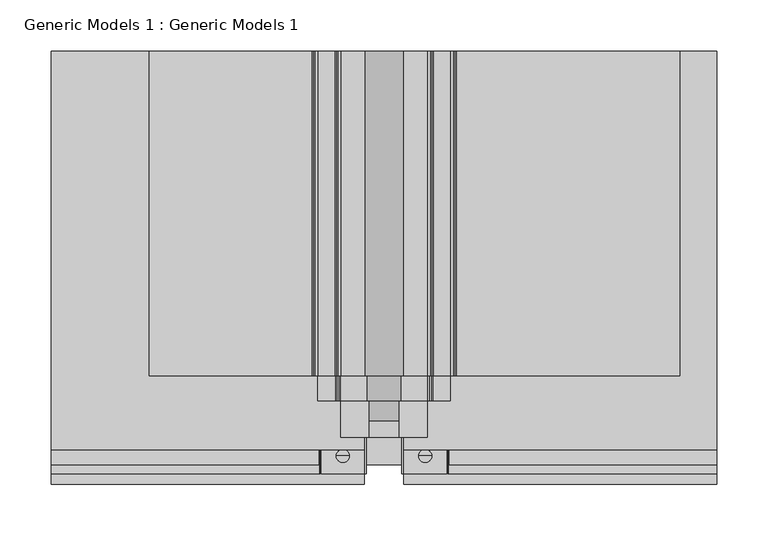
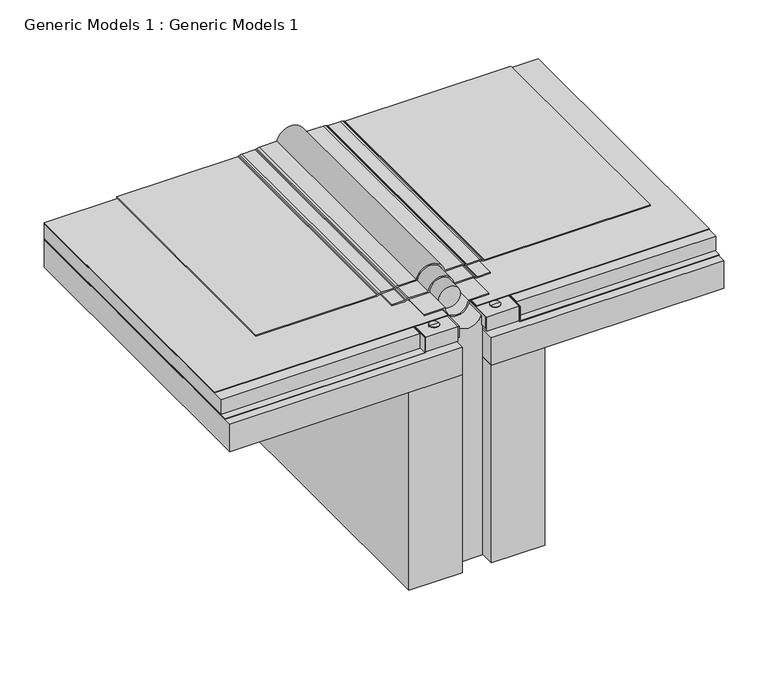
"""IFC4 building model written with IfcOpenShell, lengths in millimetres: proxy geometry, Generic Models 1 : Generic Models 1."""

from ifc_helpers import new_model, si_unit, point, frame, frame_2d, origin, place, context, project, spatial, polyline, circle_curve, trimmed, segment, composite_curve, outline, extrude, source, transform, mapped, element, save
from ifc_brep_helpers import plane_surface, cylinder_surface, advanced_brep


def generic_models_1_generic_models_1_81538ca8(model_context):
    return source(origin(), model_context, "Body", "SolidModel", [
        advanced_brep(
        [(103.584375, 0.0, 329.1475731), (104.8175439, 0.0, 329.1475731), (102.3512061, 0.0, 329.1475731), (104.8175439, 0.0, 363.4527736), (102.3512061, 0.0, 363.4527736), (109.934375, 0.0, 363.4527736), (97.234375, 0.0, 363.4527736), (109.934375, 0.0, 366.5974976), (97.234375, 0.0, 366.5974976), (103.584375, 0.0, 366.5974976)],
        [
            (0, 1),
            (1, 2, circle_curve(frame((103.584375, 0.0, 329.1475731), z_axis=(0.0, 0.0, -1.0), x_axis=(1.0, 0.0, 0.0)), 1.2331689)),
            (2, 0),
            (2, 1, circle_curve(frame((103.584375, 0.0, 329.1475731), z_axis=(0.0, 0.0, -1.0), x_axis=(1.0, 0.0, 0.0)), 1.2331689)),
            (1, 3),
            (3, 4, circle_curve(frame((103.584375, 0.0, 363.4527736), z_axis=(0.0, 0.0, -1.0), x_axis=(1.0, 0.0, 0.0)), 1.2331689)),
            (4, 2),
            (4, 3, circle_curve(frame((103.584375, 0.0, 363.4527736), z_axis=(0.0, 0.0, -1.0), x_axis=(1.0, 0.0, 0.0)), 1.2331689)),
            (3, 5),
            (5, 6, circle_curve(frame((103.584375, 0.0, 363.4527736), z_axis=(0.0, 0.0, -1.0), x_axis=(1.0, 0.0, 0.0)), 6.35)),
            (6, 4),
            (6, 5, circle_curve(frame((103.584375, 0.0, 363.4527736), z_axis=(0.0, 0.0, -1.0), x_axis=(1.0, 0.0, 0.0)), 6.35)),
            (5, 7),
            (7, 8, circle_curve(frame((103.584375, 0.0, 366.5974976), z_axis=(0.0, 0.0, -1.0), x_axis=(1.0, 0.0, 0.0)), 6.35)),
            (8, 6),
            (8, 7, circle_curve(frame((103.584375, 0.0, 366.5974976), z_axis=(0.0, 0.0, -1.0), x_axis=(1.0, 0.0, 0.0)), 6.35)),
            (7, 9),
            (9, 8),
        ],
        [
            plane_surface(frame((103.584375, 0.0, 329.1475731), z_axis=(0.0, 0.0, -1.0), x_axis=(1.0, 0.0, 0.0))),
            cylinder_surface(frame((103.584375, 0.0, 366.5974976), z_axis=(0.0, 0.0, -1.0), x_axis=(1.0, 0.0, 0.0)), 1.2331689),
            plane_surface(frame((103.584375, 0.0, 363.4527736), z_axis=(0.0, 0.0, -1.0), x_axis=(1.0, 0.0, 0.0))),
            cylinder_surface(frame((103.584375, 0.0, 366.5974976), z_axis=(0.0, 0.0, -1.0), x_axis=(1.0, 0.0, 0.0)), 6.35),
            plane_surface(frame((103.584375, 0.0, 366.5974976), z_axis=(0.0, 0.0, 1.0), x_axis=(1.0, 0.0, 0.0))),
        ],
        [
            (0, [[1, 2, 3]]),
            (0, [[-3, 4, -1]]),
            (1, [[-2, 5, 6, 7]]),
            (1, [[-4, -7, 8, -5]]),
            (2, [[-6, 9, 10, 11]]),
            (2, [[-8, -11, 12, -9]]),
            (3, [[-10, 13, 14, 15]]),
            (3, [[-12, -15, 16, -13]]),
            (4, [[-14, 17, 18]]),
            (4, [[-16, -18, -17]]),
        ],
    ),
        extrude(outline(polyline([(82.55, 393.8469389), (124.61875, 393.8469389), (124.61875, -17.4108394), (82.55, -17.4108394), (82.55, 393.8469389)])), frame((0.0, 0.0, 346.4560914), z_axis=(0.0, 0.0, 1.0), x_axis=(1.0, 0.0, 0.0)), (0.0, 0.0, 1.0), 19.84375),
        extrude(outline(polyline([(344.8685914, 387.35), (345.6623414, 387.35), (345.6623414, 126.20625), (366.2998414, 126.20625), (366.2998414, 125.4125), (344.8685914, 125.4125), (344.8685914, 387.35)])), frame((0.0, -17.4108394, 0.0), z_axis=(0.0, 1.0, 0.0), x_axis=(0.0, 0.0, 1.0)), (0.0, 0.0, 1.0), 411.2577783),
        extrude(outline(polyline([(127.0, 393.8469389), (387.35, 393.8469389), (387.35, -8.424879), (127.0, -8.424879), (127.0, 393.8469389)])), frame((0.0, 0.0, 346.4560914), z_axis=(0.0, 0.0, 1.0), x_axis=(1.0, 0.0, 0.0)), (0.0, 0.0, 1.0), 19.84375),
        advanced_brep(
        [(24.6487939, 0.0, 329.1475731), (22.1824561, 0.0, 329.1475731), (23.415625, 0.0, 329.1475731), (24.6487939, 0.0, 363.4527736), (22.1824561, 0.0, 363.4527736), (29.765625, 0.0, 363.4527736), (17.065625, 0.0, 363.4527736), (29.765625, 0.0, 366.5974976), (17.065625, 0.0, 366.5974976), (23.415625, 0.0, 366.5974976)],
        [
            (0, 1, circle_curve(frame((23.415625, 0.0, 329.1475731), z_axis=(0.0, 0.0, -1.0), x_axis=(-1.0, 0.0, 0.0)), 1.2331689)),
            (1, 2),
            (2, 0),
            (1, 0, circle_curve(frame((23.415625, 0.0, 329.1475731), z_axis=(0.0, 0.0, -1.0), x_axis=(-1.0, 0.0, 0.0)), 1.2331689)),
            (3, 4, circle_curve(frame((23.415625, 0.0, 363.4527736), z_axis=(0.0, 0.0, -1.0), x_axis=(-1.0, 0.0, 0.0)), 1.2331689)),
            (4, 1),
            (0, 3),
            (4, 3, circle_curve(frame((23.415625, 0.0, 363.4527736), z_axis=(0.0, 0.0, -1.0), x_axis=(-1.0, 0.0, 0.0)), 1.2331689)),
            (5, 6, circle_curve(frame((23.415625, 0.0, 363.4527736), z_axis=(0.0, 0.0, -1.0), x_axis=(-1.0, 0.0, 0.0)), 6.35)),
            (6, 4),
            (3, 5),
            (6, 5, circle_curve(frame((23.415625, 0.0, 363.4527736), z_axis=(0.0, 0.0, -1.0), x_axis=(-1.0, 0.0, 0.0)), 6.35)),
            (7, 8, circle_curve(frame((23.415625, 0.0, 366.5974976), z_axis=(0.0, 0.0, -1.0), x_axis=(-1.0, 0.0, 0.0)), 6.35)),
            (8, 6),
            (5, 7),
            (8, 7, circle_curve(frame((23.415625, 0.0, 366.5974976), z_axis=(0.0, 0.0, -1.0), x_axis=(-1.0, 0.0, 0.0)), 6.35)),
            (9, 8),
            (7, 9),
        ],
        [
            plane_surface(frame((23.415625, 0.0, 329.1475731), z_axis=(0.0, 0.0, -1.0), x_axis=(-1.0, 0.0, 0.0))),
            cylinder_surface(frame((23.415625, 0.0, 366.5974976), z_axis=(0.0, 0.0, 1.0), x_axis=(-1.0, 0.0, 0.0)), 1.2331689),
            plane_surface(frame((23.415625, 0.0, 363.4527736), z_axis=(0.0, 0.0, -1.0), x_axis=(-1.0, 0.0, 0.0))),
            cylinder_surface(frame((23.415625, 0.0, 366.5974976), z_axis=(0.0, 0.0, 1.0), x_axis=(-1.0, 0.0, 0.0)), 6.35),
            plane_surface(frame((23.415625, 0.0, 366.5974976), z_axis=(0.0, 0.0, 1.0), x_axis=(-1.0, 0.0, 0.0))),
        ],
        [
            (0, [[1, 2, 3]]),
            (0, [[4, -3, -2]]),
            (1, [[5, 6, -1, 7]]),
            (1, [[8, -7, -4, -6]]),
            (2, [[9, 10, -5, 11]]),
            (2, [[12, -11, -8, -10]]),
            (3, [[13, 14, -9, 15]]),
            (3, [[16, -15, -12, -14]]),
            (4, [[17, -13, 18]]),
            (4, [[-18, -16, -17]]),
        ],
    ),
        extrude(outline(polyline([(2.38125, 393.8469389), (44.45, 393.8469389), (44.45, -17.4108394), (2.38125, -17.4108394), (2.38125, 393.8469389)])), frame((0.0, 0.0, 346.4560914), z_axis=(0.0, 0.0, 1.0), x_axis=(1.0, 0.0, 0.0)), (0.0, 0.0, 1.0), 19.84375),
        extrude(outline(polyline([(344.8685914, -260.35), (344.8685914, 1.5875), (366.2998414, 1.5875), (366.2998414, 0.79375), (345.6623414, 0.79375), (345.6623414, -260.35), (344.8685914, -260.35)])), frame((0.0, -17.4108394, 0.0), z_axis=(0.0, 1.0, 0.0), x_axis=(0.0, 0.0, 1.0)), (0.0, 0.0, 1.0), 411.2577783),
        extrude(outline(polyline([(-260.35, 393.8469389), (44.45, 393.8469389), (44.45, -27.5493627), (-260.35, -27.5493627), (-260.35, 393.8469389)])), frame((0.0, 0.0, 305.9748414), z_axis=(0.0, 0.0, 1.0), x_axis=(1.0, 0.0, 0.0)), (0.0, 0.0, 1.0), 38.1),
        extrude(outline(polyline([(82.55, 393.8469389), (387.35, 393.8469389), (387.35, -27.5493627), (82.55, -27.5493627), (82.55, 393.8469389)])), frame((0.0, 0.0, 305.9748414), z_axis=(0.0, 0.0, 1.0), x_axis=(1.0, 0.0, 0.0)), (0.0, 0.0, 1.0), 38.1),
        extrude(outline(composite_curve([segment(polyline([(371.8823839, 80.7975655), (371.8823839, 105.6586194)]), True, "CONTINUOUS"), segment(trimmed(circle_curve(frame_2d((366.3261339, 105.6586194)), 5.55625), [point((371.8823839, 105.6586194))], [point((371.3618066, 108.0067922))], True, "CARTESIAN"), True, "CONTINUOUS"), segment(polyline([(371.3618066, 108.0067922), (370.7148005, 109.3943011)]), True, "CONTINUOUS"), segment(trimmed(circle_curve(frame_2d((375.0310914, 111.4070206)), 4.7625), [point((370.7148005, 109.3943011))], [point((370.2685914, 111.4070206))], False, "CARTESIAN"), True, "CONTINUOUS"), segment(polyline([(370.2685914, 111.4070206), (370.2685914, 128.0795393)]), True, "CONTINUOUS"), segment(trimmed(circle_curve(frame_2d((364.7123414, 128.0795393)), 5.55625), [point((370.2685914, 128.0795393))], [point((369.748014, 130.427712))], True, "CARTESIAN"), True, "CONTINUOUS"), segment(polyline([(369.748014, 130.427712), (369.101008, 131.815221)]), True, "CONTINUOUS"), segment(trimmed(circle_curve(frame_2d((373.4172988, 133.8279405)), 4.7625), [point((369.101008, 131.815221))], [point((368.6547988, 133.8279405))], False, "CARTESIAN"), True, "CONTINUOUS"), segment(polyline([(368.6547988, 133.8279405), (368.6547988, 351.5567558), (370.2422988, 351.5567558), (370.2422988, 133.8279405)]), True, "CONTINUOUS"), segment(trimmed(circle_curve(frame_2d((373.4172988, 133.8279405)), 3.175), [point((370.2422988, 133.8279405))], [point((370.5397716, 132.4861275))], True, "CARTESIAN"), True, "CONTINUOUS"), segment(polyline([(370.5397716, 132.4861275), (371.1867776, 131.0986185)]), True, "CONTINUOUS"), segment(trimmed(circle_curve(frame_2d((364.7123414, 128.0795393)), 7.14375), [point((371.1867776, 131.0986185))], [point((371.8560914, 128.0795393))], False, "CARTESIAN"), True, "CONTINUOUS"), segment(polyline([(371.8560914, 128.0795393), (371.8560914, 111.4070206)]), True, "CONTINUOUS"), segment(trimmed(circle_curve(frame_2d((375.0310914, 111.4070206)), 3.175), [point((371.8560914, 111.4070206))], [point((372.1535641, 110.0652076))], True, "CARTESIAN"), True, "CONTINUOUS"), segment(polyline([(372.1535641, 110.0652076), (372.8005702, 108.6776987)]), True, "CONTINUOUS"), segment(trimmed(circle_curve(frame_2d((366.3261339, 105.6586194)), 7.14375), [point((372.8005702, 108.6776987))], [point((373.4698839, 105.6586194))], False, "CARTESIAN"), True, "CONTINUOUS"), segment(polyline([(373.4698839, 105.6586194), (373.4698839, 82.1291976)]), True, "CONTINUOUS"), segment(trimmed(circle_curve(frame_2d((369.4879876, 63.5)), 19.05), [point((373.4698839, 82.1291976))], [point((373.4698839, 44.8708024))], False, "CARTESIAN"), True, "CONTINUOUS"), segment(polyline([(373.4698839, 44.8708024), (373.4698839, 21.3413806)]), True, "CONTINUOUS"), segment(trimmed(circle_curve(frame_2d((366.3261339, 21.3413806)), 7.14375), [point((373.4698839, 21.3413806))], [point((372.8005702, 18.3223013))], False, "CARTESIAN"), True, "CONTINUOUS"), segment(polyline([(372.8005702, 18.3223013), (372.1535641, 16.9347924)]), True, "CONTINUOUS"), segment(trimmed(circle_curve(frame_2d((375.0310914, 15.5929794)), 3.175), [point((372.1535641, 16.9347924))], [point((371.8560914, 15.5929794))], True, "CARTESIAN"), True, "CONTINUOUS"), segment(polyline([(371.8560914, 15.5929794), (371.8560914, -1.0795393)]), True, "CONTINUOUS"), segment(trimmed(circle_curve(frame_2d((364.7123414, -1.0795393)), 7.14375), [point((371.8560914, -1.0795393))], [point((371.1867776, -4.0986185))], False, "CARTESIAN"), True, "CONTINUOUS"), segment(polyline([(371.1867776, -4.0986185), (370.5397716, -5.4861275)]), True, "CONTINUOUS"), segment(trimmed(circle_curve(frame_2d((373.4172988, -6.8279405)), 3.175), [point((370.5397716, -5.4861275))], [point((370.2422988, -6.8279405))], True, "CARTESIAN"), True, "CONTINUOUS"), segment(polyline([(370.2422988, -6.8279405), (370.2422988, -165.2260002), (368.6547988, -165.2260002), (368.6547988, -6.8279405)]), True, "CONTINUOUS"), segment(trimmed(circle_curve(frame_2d((373.4172988, -6.8279405)), 4.7625), [point((368.6547988, -6.8279405))], [point((369.101008, -4.815221))], False, "CARTESIAN"), True, "CONTINUOUS"), segment(polyline([(369.101008, -4.815221), (369.748014, -3.427712)]), True, "CONTINUOUS"), segment(trimmed(circle_curve(frame_2d((364.7123414, -1.0795393)), 5.55625), [point((369.748014, -3.427712))], [point((370.2685914, -1.0795393))], True, "CARTESIAN"), True, "CONTINUOUS"), segment(polyline([(370.2685914, -1.0795393), (370.2685914, 15.5929794)]), True, "CONTINUOUS"), segment(trimmed(circle_curve(frame_2d((375.0310914, 15.5929794)), 4.7625), [point((370.2685914, 15.5929794))], [point((370.7148005, 17.6056989))], False, "CARTESIAN"), True, "CONTINUOUS"), segment(polyline([(370.7148005, 17.6056989), (371.3618066, 18.9932078)]), True, "CONTINUOUS"), segment(trimmed(circle_curve(frame_2d((366.3261339, 21.3413806)), 5.55625), [point((371.3618066, 18.9932078))], [point((371.8823839, 21.3413806))], True, "CARTESIAN"), True, "CONTINUOUS"), segment(polyline([(371.8823839, 21.3413806), (371.8823839, 46.2024345)]), True, "CONTINUOUS"), segment(trimmed(circle_curve(frame_2d((369.4879876, 63.5)), 17.4625), [point((371.8823839, 46.2024345))], [point((371.8823839, 80.7975655))], True, "CARTESIAN"), True, "CONTINUOUS")], self_intersect=False)), frame((0.0, 77.8885066, 0.0), z_axis=(0.0, 1.0, 0.0), x_axis=(0.0, 0.0, 1.0)), (0.0, 0.0, 1.0), 315.9584324),
        extrude(outline(composite_curve([segment(polyline([(371.0886339, 105.6586194), (371.0886339, 80.0917196)]), True, "CONTINUOUS"), segment(trimmed(circle_curve(frame_2d((369.4879876, 63.5)), 16.66875), [point((371.0886339, 80.0917196))], [point((371.0886339, 46.9082804))], False, "CARTESIAN"), True, "CONTINUOUS"), segment(polyline([(371.0886339, 46.9082804), (371.0886339, 21.3413806)]), True, "CONTINUOUS"), segment(trimmed(circle_curve(frame_2d((366.3261339, 21.3413806)), 4.7625), [point((371.0886339, 21.3413806))], [point((370.6424248, 19.3286611))], False, "CARTESIAN"), True, "CONTINUOUS"), segment(polyline([(370.6424248, 19.3286611), (369.7723141, 17.4627028)]), True, "CONTINUOUS"), segment(trimmed(circle_curve(frame_2d((372.6498414, 16.1208898)), 3.175), [point((369.7723141, 17.4627028))], [point((369.4748414, 16.1208898))], True, "CARTESIAN"), True, "CONTINUOUS"), segment(polyline([(369.4748414, 16.1208898), (369.4748414, -1.0795393), (367.8873414, -1.0795393), (367.8873414, 16.1208898)]), True, "CONTINUOUS"), segment(trimmed(circle_curve(frame_2d((372.6498414, 16.1208898)), 4.7625), [point((367.8873414, 16.1208898))], [point((368.3335505, 18.1336093))], False, "CARTESIAN"), True, "CONTINUOUS"), segment(polyline([(368.3335505, 18.1336093), (369.2036612, 19.9995676)]), True, "CONTINUOUS"), segment(trimmed(circle_curve(frame_2d((366.3261339, 21.3413806)), 3.175), [point((369.2036612, 19.9995676))], [point((369.5011339, 21.3413806))], True, "CARTESIAN"), True, "CONTINUOUS"), segment(polyline([(369.5011339, 21.3413806), (369.5011339, 48.4187557)]), True, "CONTINUOUS"), segment(trimmed(circle_curve(frame_2d((369.4879876, 63.5)), 15.08125), [point((369.5011339, 48.4187557))], [point((369.5011339, 78.5812443))], True, "CARTESIAN"), True, "CONTINUOUS"), segment(polyline([(369.5011339, 78.5812443), (369.5011339, 105.6586194)]), True, "CONTINUOUS"), segment(trimmed(circle_curve(frame_2d((366.3261339, 105.6586194)), 3.175), [point((369.5011339, 105.6586194))], [point((369.2036612, 107.0004324))], True, "CARTESIAN"), True, "CONTINUOUS"), segment(polyline([(369.2036612, 107.0004324), (368.3335505, 108.8663907)]), True, "CONTINUOUS"), segment(trimmed(circle_curve(frame_2d((372.6498414, 110.8791102)), 4.7625), [point((368.3335505, 108.8663907))], [point((367.8873414, 110.8791102))], False, "CARTESIAN"), True, "CONTINUOUS"), segment(polyline([(367.8873414, 110.8791102), (367.8873414, 128.0795393), (369.4748414, 128.0795393), (369.4748414, 110.8791102)]), True, "CONTINUOUS"), segment(trimmed(circle_curve(frame_2d((372.6498414, 110.8791102)), 3.175), [point((369.4748414, 110.8791102))], [point((369.7723141, 109.5372972))], True, "CARTESIAN"), True, "CONTINUOUS"), segment(polyline([(369.7723141, 109.5372972), (370.6424248, 107.6713389)]), True, "CONTINUOUS"), segment(trimmed(circle_curve(frame_2d((366.3261339, 105.6586194)), 4.7625), [point((370.6424248, 107.6713389))], [point((371.0886339, 105.6586194))], False, "CARTESIAN"), True, "CONTINUOUS")], self_intersect=False)), frame((0.0, 53.568581, 0.0), z_axis=(0.0, 1.0, 0.0), x_axis=(0.0, 0.0, 1.0)), (0.0, 0.0, 1.0), 340.278358),
        extrude(outline(composite_curve([segment(trimmed(circle_curve(frame_2d((369.4879876, 63.5)), 17.4625), [point((364.2830208, 80.16875))], [point((364.2830208, 46.83125))], True, "CARTESIAN"), True, "CONTINUOUS"), segment(polyline([(364.2830208, 46.83125), (350.4181348, 46.83125), (350.4181348, 45.24375), (31.75, 45.24375), (31.75, 81.75625), (350.4181348, 81.75625), (350.4181348, 80.16875), (364.2830208, 80.16875)]), True, "CONTINUOUS")], self_intersect=False)), frame((0.0, -8.424879, 0.0), z_axis=(0.0, 1.0, 0.0), x_axis=(0.0, 0.0, 1.0)), (0.0, 0.0, 1.0), 402.271818),
        extrude(outline(composite_curve([segment(polyline([(367.8873414, 105.56875), (369.4748414, 105.56875), (369.4748414, 78.5812443)]), True, "CONTINUOUS"), segment(trimmed(circle_curve(frame_2d((369.4879876, 63.5)), 15.08125), [point((369.4748414, 78.5812443))], [point((369.4748414, 48.4187557))], True, "CARTESIAN"), True, "CONTINUOUS"), segment(polyline([(369.4748414, 48.4187557), (369.4748414, 21.43125), (367.8873414, 21.43125), (367.8873414, 46.9082804)]), True, "CONTINUOUS"), segment(trimmed(circle_curve(frame_2d((369.4879876, 63.5)), 16.66875), [point((367.8873414, 46.9082804))], [point((367.8873414, 80.0917196))], False, "CARTESIAN"), True, "CONTINUOUS"), segment(polyline([(367.8873414, 80.0917196), (367.8873414, 105.56875)]), True, "CONTINUOUS")], self_intersect=False)), frame((0.0, 18.3920053, 0.0), z_axis=(0.0, 1.0, 0.0), x_axis=(0.0, 0.0, 1.0)), (0.0, 0.0, 1.0), 375.4549336),
        extrude(outline(composite_curve([segment(trimmed(circle_curve(frame_2d((369.4879876, 63.5)), 14.2875), [point((369.4879876, 49.2125))], [point((369.4879876, 77.7875))], False, "CARTESIAN"), True, "CONTINUOUS"), segment(trimmed(circle_curve(frame_2d((369.4879876, 63.5)), 14.2875), [point((369.4879876, 77.7875))], [point((369.4879876, 49.2125))], False, "CARTESIAN"), True, "CONTINUOUS")], self_intersect=False)), frame((0.0, 34.3915988, 0.0), z_axis=(0.0, 1.0, 0.0), x_axis=(0.0, 0.0, 1.0)), (0.0, 0.0, 1.0), 359.4553402),
        extrude(outline(polyline([(44.45, 393.8469389), (46.0375, 393.8469389), (46.0375, -17.4108394), (44.45, -17.4108394), (44.45, 393.8469389)])), frame((0.0, 0.0, 351.2118848), z_axis=(0.0, 0.0, 1.0), x_axis=(1.0, 0.0, 0.0)), (0.0, 0.0, 1.0), 15.0879565),
        extrude(outline(polyline([(80.9625, 393.8469389), (82.55, 393.8469389), (82.55, -17.4108394), (80.9625, -17.4108394), (80.9625, 393.8469389)])), frame((0.0, 0.0, 351.2118848), z_axis=(0.0, 0.0, 1.0), x_axis=(1.0, 0.0, 0.0)), (0.0, 0.0, 1.0), 15.0879565),
        extrude(outline(polyline([(-260.35, 393.8469389), (44.45, 393.8469389), (44.45, 5.8433804), (-260.35, 5.8433804), (-260.35, 393.8469389)])), frame((0.0, 0.0, 367.0935914), z_axis=(0.0, 0.0, 1.0), x_axis=(1.0, 0.0, 0.0)), (0.0, 0.0, 1.0), 0.79375),
        extrude(outline(polyline([(-260.35, 393.8469389), (0.0, 393.8469389), (0.0, -8.424879), (-260.35, -8.424879), (-260.35, 393.8469389)])), frame((0.0, 0.0, 346.4560914), z_axis=(0.0, 0.0, 1.0), x_axis=(1.0, 0.0, 0.0)), (0.0, 0.0, 1.0), 19.84375),
        extrude(outline(polyline([(44.45, -27.5493627), (-25.4, -27.5493627), (-25.4, 393.8469389), (44.45, 393.8469389), (44.45, -27.5493627)])), frame((0.0, 0.0, 31.75), z_axis=(0.0, 0.0, 1.0), x_axis=(1.0, 0.0, 0.0)), (0.0, 0.0, 1.0), 274.2248414),
        extrude(outline(polyline([(82.55, 393.8469389), (387.35, 393.8469389), (387.35, 5.8433804), (82.55, 5.8433804), (82.55, 393.8469389)])), frame((0.0, 0.0, 367.0935914), z_axis=(0.0, 0.0, 1.0), x_axis=(1.0, 0.0, 0.0)), (0.0, 0.0, 1.0), 0.79375),
        extrude(outline(polyline([(152.4, -27.5493627), (82.55, -27.5493627), (82.55, 393.8469389), (152.4, 393.8469389), (152.4, -27.5493627)])), frame((0.0, 0.0, 31.75), z_axis=(0.0, 0.0, 1.0), x_axis=(1.0, 0.0, 0.0)), (0.0, 0.0, 1.0), 274.2248414),
    ])


if __name__ == "__main__":
    model = new_model("IFC4")
    model_context = context("Model", 3, world=origin())
    ifc_project = project(units=[si_unit("LENGTHUNIT", "METRE", prefix="MILLI")], contexts=[model_context])
    site = spatial("IfcSite", under=ifc_project)
    building = spatial("IfcBuilding", under=site)
    placement = place(None, origin())
    generic_models_1_generic_models_1_shape = generic_models_1_generic_models_1_81538ca8(model_context)
    element("IfcBuildingElementProxy", 1, Name="Generic Models 1 : Generic Models 1", ObjectType="Generic Models 1 : Generic Models 1", at=placement, inside=building, context=model_context, shape_type="MappedRepresentation", body=[
        mapped(generic_models_1_generic_models_1_shape, transform((0.0, 0.0, 0.0), x_axis=(1.0, 0.0, 0.0), y_axis=(0.0, 1.0, 0.0), z_axis=(0.0, 0.0, 1.0))),
    ])
    save(model, "model.ifc")
